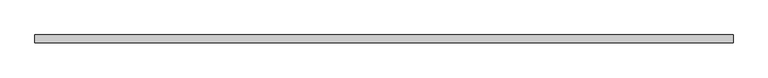
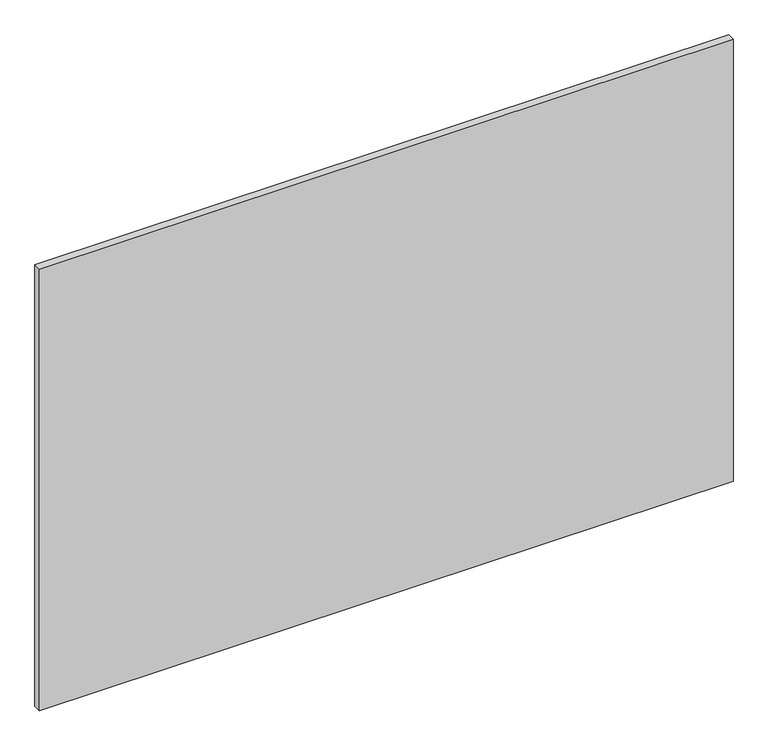
"""IFC4 building model written with IfcOpenShell, lengths in millimetres: plate geometry."""

from ifc_helpers import new_model, si_unit, origin, origin_with_axes, place, context, project, spatial, polyline, outline, extrude, source, transform, mapped, element, save


def plate_b88f13c0(model_context):
    return source(origin(), model_context, "Body", "SweptSolid", [
        extrude(outline(polyline([(612.5, -64.0), (-612.5, -64.0), (-612.5, -50.0), (612.5, -50.0), (612.5, -64.0)])), origin_with_axes(), (0.0, 0.0, 1.0), 825.0),
    ])


if __name__ == "__main__":
    model = new_model("IFC4")
    model_context = context("Model", 3, world=origin())
    ifc_project = project(units=[si_unit("LENGTHUNIT", "METRE", prefix="MILLI")], contexts=[model_context])
    site = spatial("IfcSite", under=ifc_project)
    building = spatial("IfcBuilding", under=site)
    placement = place(None, origin())
    plate_shape = plate_b88f13c0(model_context)
    element("IfcPlate", 1, at=placement, inside=building, context=model_context, shape_type="MappedRepresentation", body=[
        mapped(plate_shape, transform((0.0, 0.0, 0.0), x_axis=(1.0, 0.0, 0.0), y_axis=(0.0, 1.0, 0.0), z_axis=(0.0, 0.0, 1.0))),
    ])
    save(model, "model.ifc")
